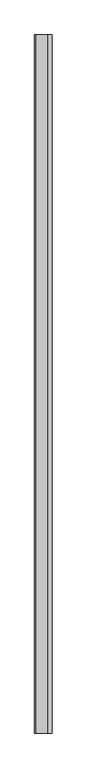
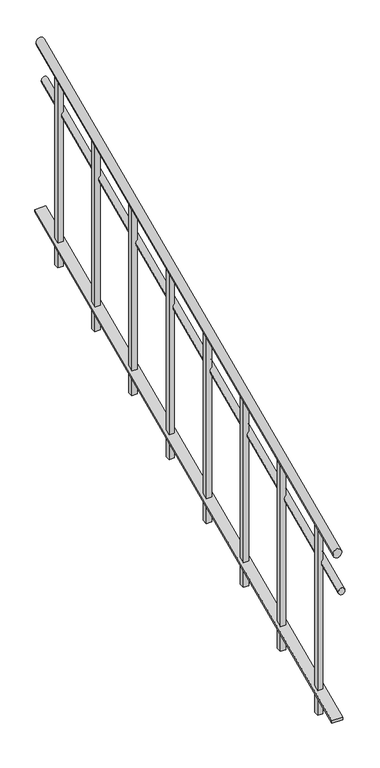
"""IFC4 building model written with IfcOpenShell, lengths in millimetres: railing geometry."""

from ifc_helpers import new_model, si_unit, frame, origin, place, context, project, spatial, polyline, ellipse_curve, outline, extrude, faceted_brep, source, transform, mapped, element, save
from ifc_brep_helpers import plane_surface, cylinder_surface, advanced_brep


def railing_b65dac34(model_context):
    return source(origin(), model_context, "Body", "SolidModel", [
        advanced_brep(
        [(6764.6112841, -20906.8920513, -188.5530173), (6804.6112841, -20906.8920513, -188.5530173), (6764.6112841, -18506.8920513, 878.1136493), (6804.6112841, -18506.8920513, 878.1136493)],
        [
            (0, 1, ellipse_curve(frame((6784.6112841, -20906.8920513, -188.5530173), z_axis=(0.0, -1.0, 0.0), x_axis=(0.0, 0.0, -0.9999999999999999)), 21.8863507, 20.0)),
            (1, 0, ellipse_curve(frame((6784.6112841, -20906.8920513, -188.5530173), z_axis=(0.0, -1.0, 0.0), x_axis=(0.0, 0.0, -0.9999999999999999)), 21.8863507, 20.0)),
            (2, 3, ellipse_curve(frame((6784.6112841, -18506.8920513, 878.1136493), z_axis=(0.0, 1.0, 0.0), x_axis=(0.0, 0.0, -0.9999999999999999)), 21.8863507, 20.0)),
            (3, 2, ellipse_curve(frame((6784.6112841, -18506.8920513, 878.1136493), z_axis=(0.0, 1.0, 0.0), x_axis=(0.0, 0.0, -0.9999999999999999)), 21.8863507, 20.0)),
            (0, 2),
            (3, 1),
        ],
        [
            plane_surface(frame((6784.6112841, -20906.8920513, -166.6666667), z_axis=(0.0, -1.0, 0.0), x_axis=(0.0, 0.0, 1.0))),
            plane_surface(frame((6784.6112841, -18506.8920513, 900.0), z_axis=(0.0, 1.0, 0.0), x_axis=(0.0, 0.0, 1.0))),
            cylinder_surface(frame((6784.6112841, -20898.769282, -184.9428976), z_axis=(0.0, -0.913811548620257, -0.40613846605344806), x_axis=(1.0, 0.0, 0.0)), 20.0),
        ],
        [
            (0, [[1, 2]]),
            (1, [[3, 4]]),
            (2, [[-1, 5, -4, 6]]),
            (2, [[-2, -6, -3, -5]]),
        ],
    ),
        advanced_brep(
        [(6789.6112841, -20906.8920513, -383.0814297), (6819.6112841, -20906.8920513, -383.0814297), (6789.6112841, -18506.8920513, 683.585237), (6819.6112841, -18506.8920513, 683.585237)],
        [
            (0, 1, ellipse_curve(frame((6804.6112841, -20906.8920513, -383.0814297), z_axis=(0.0, -1.0, 0.0), x_axis=(0.0, 0.0, -0.9999999999999999)), 16.414763, 15.0)),
            (1, 0, ellipse_curve(frame((6804.6112841, -20906.8920513, -383.0814297), z_axis=(0.0, -1.0, 0.0), x_axis=(0.0, 0.0, -0.9999999999999999)), 16.414763, 15.0)),
            (2, 3, ellipse_curve(frame((6804.6112841, -18506.8920513, 683.585237), z_axis=(0.0, 1.0, 0.0), x_axis=(0.0, 0.0, -0.9999999999999999)), 16.414763, 15.0)),
            (3, 2, ellipse_curve(frame((6804.6112841, -18506.8920513, 683.585237), z_axis=(0.0, 1.0, 0.0), x_axis=(0.0, 0.0, -0.9999999999999999)), 16.414763, 15.0)),
            (0, 2),
            (3, 1),
        ],
        [
            plane_surface(frame((6804.6112841, -20906.8920513, -366.6666667), z_axis=(0.0, -1.0, 0.0), x_axis=(0.0, 0.0, 1.0))),
            plane_surface(frame((6804.6112841, -18506.8920513, 700.0), z_axis=(0.0, 1.0, 0.0), x_axis=(0.0, 0.0, 1.0))),
            cylinder_surface(frame((6804.6112841, -20900.7999744, -380.3738399), z_axis=(0.0, -0.913811548620257, -0.40613846605344806), x_axis=(1.0, 0.0, 0.0)), 15.0),
        ],
        [
            (0, [[1, 2]]),
            (1, [[3, 4]]),
            (2, [[-1, 5, -4, 6]]),
            (2, [[-2, -6, -3, -5]]),
        ],
    ),
        faceted_brep([(6809.6112841, -20906.8920513, -1006.6666667), (6759.6112841, -20906.8920513, -1006.6666667), (6759.6112841, -20906.8920513, -1017.609842), (6809.6112841, -20906.8920513, -1017.609842), (6809.6112841, -18506.8920513, 60.0), (6809.6112841, -18506.8920513, 49.0568247), (6759.6112841, -18506.8920513, 49.0568247), (6759.6112841, -18506.8920513, 60.0)], [[[0, 1, 2, 3]], [[4, 5, 6, 7]], [[1, 0, 4, 7]], [[2, 1, 7, 6]], [[3, 2, 6, 5]], [[0, 3, 5, 4]]]),
        extrude(outline(polyline([(-18669.3920513, -133.3333333), (-18669.3920513, 784.0050764), (-18644.3920513, 795.1161875), (-18644.3920513, -133.3333333), (-18669.3920513, -133.3333333)])), frame((6772.1112841, 0.0, 0.0), z_axis=(1.0, 0.0, 0.0), x_axis=(0.0, 1.0, 0.0)), (0.0, 0.0, 1.0), 25.0),
        extrude(outline(polyline([(-18969.3920513, -266.6666667), (-18969.3920513, 650.6717431), (-18944.3920513, 661.7828542), (-18944.3920513, -266.6666667), (-18969.3920513, -266.6666667)])), frame((6772.1112841, 0.0, 0.0), z_axis=(1.0, 0.0, 0.0), x_axis=(0.0, 1.0, 0.0)), (0.0, 0.0, 1.0), 25.0),
        extrude(outline(polyline([(-19269.3920513, -400.0), (-19269.3920513, 517.3384098), (-19244.3920513, 528.4495209), (-19244.3920513, -400.0), (-19269.3920513, -400.0)])), frame((6772.1112841, 0.0, 0.0), z_axis=(1.0, 0.0, 0.0), x_axis=(0.0, 1.0, 0.0)), (0.0, 0.0, 1.0), 25.0),
        extrude(outline(polyline([(-19569.3920513, -533.3333333), (-19569.3920513, 384.0050764), (-19544.3920513, 395.1161875), (-19544.3920513, -533.3333333), (-19569.3920513, -533.3333333)])), frame((6772.1112841, 0.0, 0.0), z_axis=(1.0, 0.0, 0.0), x_axis=(0.0, 1.0, 0.0)), (0.0, 0.0, 1.0), 25.0),
        extrude(outline(polyline([(-19869.3920513, -666.6666667), (-19869.3920513, 250.6717431), (-19844.3920513, 261.7828542), (-19844.3920513, -666.6666667), (-19869.3920513, -666.6666667)])), frame((6772.1112841, 0.0, 0.0), z_axis=(1.0, 0.0, 0.0), x_axis=(0.0, 1.0, 0.0)), (0.0, 0.0, 1.0), 25.0),
        extrude(outline(polyline([(-20169.3920513, -800.0), (-20169.3920513, 117.3384098), (-20144.3920513, 128.4495209), (-20144.3920513, -800.0), (-20169.3920513, -800.0)])), frame((6772.1112841, 0.0, 0.0), z_axis=(1.0, 0.0, 0.0), x_axis=(0.0, 1.0, 0.0)), (0.0, 0.0, 1.0), 25.0),
        extrude(outline(polyline([(-20469.3920513, -933.3333333), (-20469.3920513, -15.9949236), (-20444.3920513, -4.8838125), (-20444.3920513, -933.3333333), (-20469.3920513, -933.3333333)])), frame((6772.1112841, 0.0, 0.0), z_axis=(1.0, 0.0, 0.0), x_axis=(0.0, 1.0, 0.0)), (0.0, 0.0, 1.0), 25.0),
        extrude(outline(polyline([(-20769.3920513, -1066.6666667), (-20769.3920513, -149.3282569), (-20744.3920513, -138.2171458), (-20744.3920513, -1066.6666667), (-20769.3920513, -1066.6666667)])), frame((6772.1112841, 0.0, 0.0), z_axis=(1.0, 0.0, 0.0), x_axis=(0.0, 1.0, 0.0)), (0.0, 0.0, 1.0), 25.0),
    ])


if __name__ == "__main__":
    model = new_model("IFC4")
    model_context = context("Model", 3, world=origin())
    ifc_project = project(units=[si_unit("LENGTHUNIT", "METRE", prefix="MILLI")], contexts=[model_context])
    site = spatial("IfcSite", under=ifc_project)
    building = spatial("IfcBuilding", under=site)
    placement = place(None, origin())
    railing_shape = railing_b65dac34(model_context)
    element("IfcRailing", 1, at=placement, inside=building, context=model_context, shape_type="MappedRepresentation", body=[
        mapped(railing_shape, transform((0.0, 0.0, 0.0), x_axis=(1.0, 0.0, 0.0), y_axis=(0.0, 1.0, 0.0), z_axis=(0.0, 0.0, 1.0))),
    ])
    save(model, "model.ifc")
